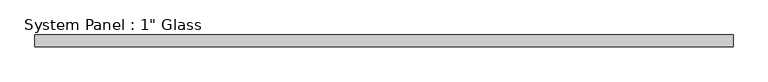
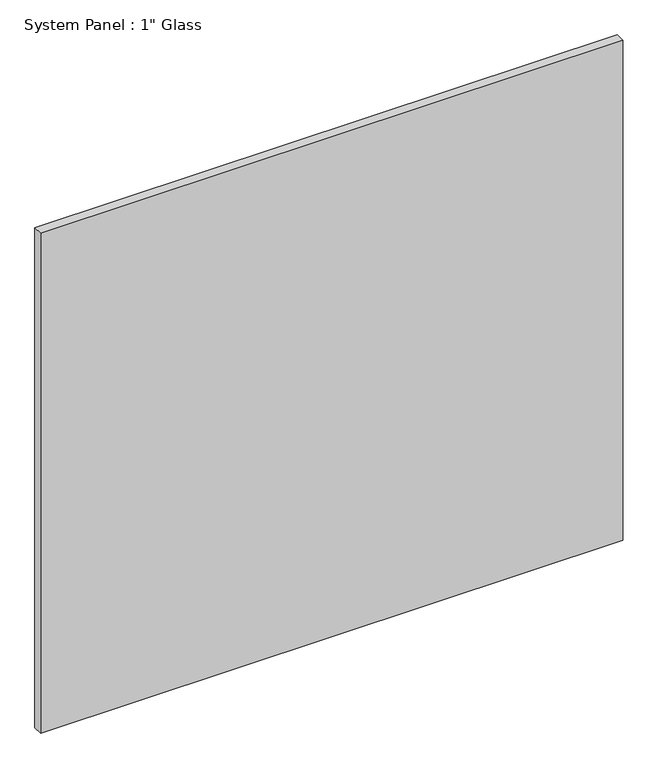
"""IFC4 building model written with IfcOpenShell, lengths in millimetres: plate geometry."""

from ifc_helpers import new_model, si_unit, origin, origin_with_axes, place, context, project, spatial, polyline, outline, extrude, source, transform, mapped, element, save


def plate_0ade39da(model_context):
    return source(origin(), model_context, "Body", "SweptSolid", [
        extrude(outline(polyline([(759.2591185, -12.7), (-759.2591185, -12.7), (-759.2591185, 12.7), (759.2591185, 12.7), (759.2591185, -12.7)])), origin_with_axes(), (0.0, 0.0, 1.0), 1377.95),
    ])


if __name__ == "__main__":
    model = new_model("IFC4")
    model_context = context("Model", 3, world=origin())
    ifc_project = project(units=[si_unit("LENGTHUNIT", "METRE", prefix="MILLI")], contexts=[model_context])
    site = spatial("IfcSite", under=ifc_project)
    building = spatial("IfcBuilding", under=site)
    placement = place(None, origin())
    plate_shape = plate_0ade39da(model_context)
    element("IfcPlate", 1, ObjectType="System Panel : 1\" Glass", at=placement, inside=building, context=model_context, shape_type="MappedRepresentation", body=[
        mapped(plate_shape, transform((0.0, 0.0, 0.0), x_axis=(1.0, 0.0, 0.0), y_axis=(0.0, 1.0, 0.0), z_axis=(0.0, 0.0, 1.0))),
    ])
    save(model, "model.ifc")
